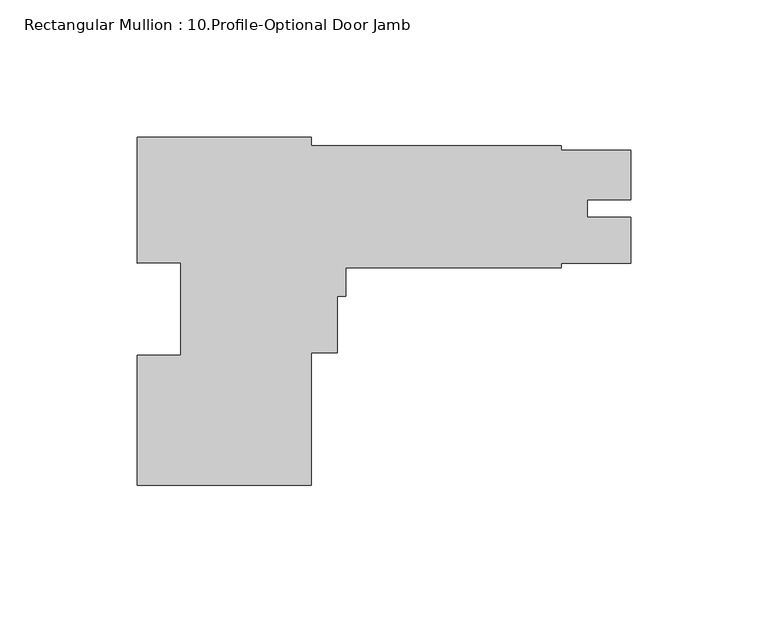
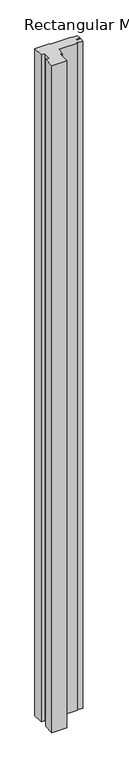
"""IFC4 building model written with IfcOpenShell, lengths in millimetres: member geometry, Rectangular Mullion : 10.Profile-Optional Door Jamb."""

from ifc_helpers import new_model, si_unit, frame, origin, place, context, project, spatial, polyline, outline, extrude, source, transform, mapped, element, save


def rectangular_mullion_10_profile_optional_door_jamb_317c28ae(model_context):
    return source(origin(), model_context, "Body", "SweptSolid", [
        extrude(outline(polyline([(-116.67998, 63.5889), (-116.67998, 60.4139), (-25.4, 60.4139), (-25.4, 58.68924), (0.0, 58.81624), (0.0, 40.7549439), (-15.875, 40.7549439), (-15.875, 34.40684), (0.0, 34.40684), (0.0, 17.56664), (-25.39873, 17.56664), (-25.39873, 15.9639), (-103.97998, 15.9639), (-103.97998, 5.5012875), (-107.15498, 5.5012875), (-107.15498, -15.1235125), (-116.67998, -15.1235125), (-116.67998, -63.4111), (-180.17998, -63.4111), (-180.17998, -15.9517112), (-164.30498, -15.9517112), (-164.30498, 17.6736121), (-180.17998, 17.4795629), (-180.17998, 63.5889), (-116.67998, 63.5889)])), frame((0.0, 0.0, -3048.0), z_axis=(0.0, 0.0, 1.0), x_axis=(1.0, 0.0, 0.0)), (0.0, 0.0, 1.0), 3048.0),
    ])


if __name__ == "__main__":
    model = new_model("IFC4")
    model_context = context("Model", 3, world=origin())
    ifc_project = project(units=[si_unit("LENGTHUNIT", "METRE", prefix="MILLI")], contexts=[model_context])
    site = spatial("IfcSite", under=ifc_project)
    building = spatial("IfcBuilding", under=site)
    placement = place(None, origin())
    rectangular_mullion_10_profile_optional_door_jamb_shape = rectangular_mullion_10_profile_optional_door_jamb_317c28ae(model_context)
    element("IfcMember", 1, ObjectType="Rectangular Mullion : 10.Profile-Optional Door Jamb", at=placement, inside=building, context=model_context, shape_type="MappedRepresentation", body=[
        mapped(rectangular_mullion_10_profile_optional_door_jamb_shape, transform((0.0, 0.0, 0.0), x_axis=(1.0, 0.0, 0.0), y_axis=(0.0, 1.0, 0.0), z_axis=(0.0, 0.0, 1.0))),
    ])
    save(model, "model.ifc")
